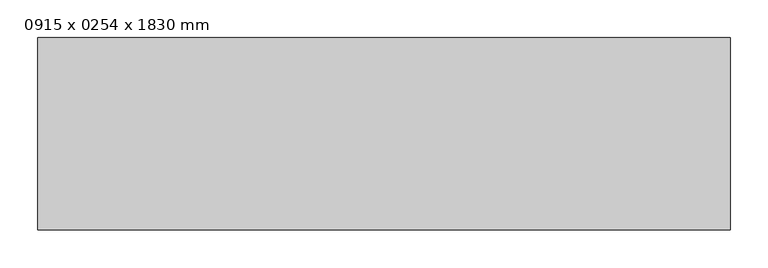
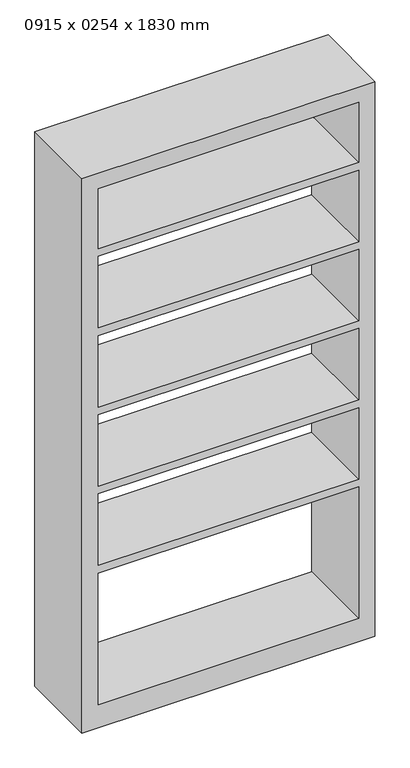
"""IFC4 building model written with IfcOpenShell, lengths in millimetres: furniture geometry, 0915 x 0254 x 1830 mm."""

from ifc_helpers import new_model, si_unit, frame, origin, place, context, project, spatial, polyline, outline, extrude, source, transform, mapped, element, save


def furniture_0915_x_0254_x_1830_mm_1d5e155e(model_context):
    return source(origin(), model_context, "Body", "SweptSolid", [
        extrude(outline(polyline([(0.0, 457.5), (1830.0, 457.5), (1830.0, -457.5), (0.0, -457.5), (0.0, 457.5)]), holes=[polyline([(1779.2, 406.7), (1581.2714286, 406.7), (1581.2714286, -406.7), (1779.2, -406.7), (1779.2, 406.7)]), polyline([(76.2, 406.7), (76.2, -406.7), (510.1571429, -406.7), (510.1571429, 406.7), (76.2, 406.7)]), polyline([(1058.4142857, -406.7), (1294.4428571, -406.7), (1294.4428571, 406.7), (1058.4142857, 406.7), (1058.4142857, -406.7)]), polyline([(1555.8714286, 406.7), (1319.8428571, 406.7), (1319.8428571, -406.7), (1555.8714286, -406.7), (1555.8714286, 406.7)]), polyline([(1033.0142857, 406.7), (796.9857143, 406.7), (796.9857143, -406.7), (1033.0142857, -406.7), (1033.0142857, 406.7)]), polyline([(771.5857143, 406.7), (535.5571429, 406.7), (535.5571429, -406.7), (771.5857143, -406.7), (771.5857143, 406.7)])]), frame((0.0, -431.8, 0.0), z_axis=(0.0, 1.0, 0.0), x_axis=(0.0, 0.0, 1.0)), (0.0, 0.0, 1.0), 254.0),
    ])


if __name__ == "__main__":
    model = new_model("IFC4")
    model_context = context("Model", 3, world=origin())
    ifc_project = project(units=[si_unit("LENGTHUNIT", "METRE", prefix="MILLI")], contexts=[model_context])
    site = spatial("IfcSite", under=ifc_project)
    building = spatial("IfcBuilding", under=site)
    placement = place(None, origin())
    furniture_0915_x_0254_x_1830_mm_shape = furniture_0915_x_0254_x_1830_mm_1d5e155e(model_context)
    element("IfcFurniture", 1, ObjectType="0915 x 0254 x 1830 mm", at=placement, inside=building, context=model_context, shape_type="MappedRepresentation", body=[
        mapped(furniture_0915_x_0254_x_1830_mm_shape, transform((0.0, 0.0, 0.0), x_axis=(1.0, 0.0, 0.0), y_axis=(0.0, 1.0, 0.0), z_axis=(0.0, 0.0, 1.0))),
    ])
    save(model, "model.ifc")
